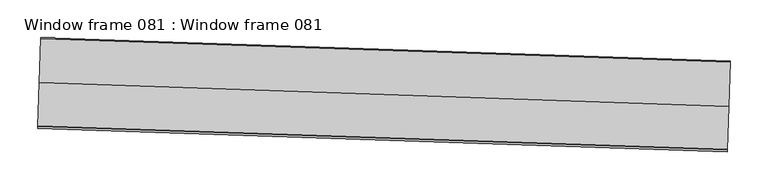
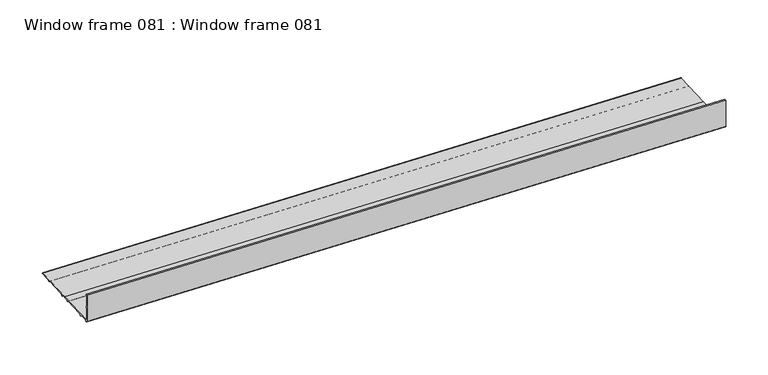
"""IFC4 building model written with IfcOpenShell, lengths in millimetres: proxy geometry, Window frame 081 : Window frame 081."""

from ifc_helpers import new_model, si_unit, point, frame, frame_2d, origin, place, context, project, spatial, polyline, circle_curve, trimmed, segment, composite_curve, outline, extrude, source, transform, mapped, element, save


def window_frame_081_window_frame_081_c60f3af7(model_context):
    return source(origin(), model_context, "Body", "SweptSolid", [
        extrude(outline(composite_curve([segment(polyline([(8.89, 0.0), (10.795, 1.905), (12.3698001, 1.905), (14.2748, 0.0), (44.6024, 0.0), (46.5074001, 1.905), (48.0822, 1.905), (49.9872, 0.0), (58.8772, 0.0), (60.7822001, 1.905), (62.357, 1.905), (64.262, 0.0), (94.5896, 0.0), (96.4946001, 1.905), (98.0694, 1.905), (99.9744, 0.0), (114.7826, 0.0)]), True, "CONTINUOUS"), segment(trimmed(circle_curve(frame_2d((113.5126001, 0.0)), 1.27), [point((114.7826, 0.0))], [point((113.5126001, -1.27))], False, "CARTESIAN"), True, "CONTINUOUS"), segment(polyline([(113.5126001, -1.27), (54.8386, -1.27), (-3.0226, -1.27)]), True, "CONTINUOUS"), segment(trimmed(circle_curve(frame_2d((-3.0226, -2.8448)), 1.5748), [point((-3.0226, -1.27))], [point((-4.5973999, -2.8448))], True, "CARTESIAN"), True, "CONTINUOUS"), segment(polyline([(-4.5973999, -2.8448), (-4.5973999, -18.415), (-2.6924, -20.32), (-2.6924, -21.8948), (-4.5973999, -23.7998), (-4.5973999, -39.37), (-3.4798, -39.37), (-3.4798, -40.9448), (-5.8673999, -40.9448), (-5.8673999, 0.0), (-3.4798, 1.905), (-1.9049999, 1.905), (0.0, 0.0), (8.89, 0.0)]), True, "CONTINUOUS")], self_intersect=False)), frame((34352.2916615, -15537.2084788, 1151.3391508), z_axis=(-0.9994149479163194, 0.03420178184569787, 2.2085250295234005e-12), x_axis=(0.03420178184569787, 0.9994149479163194, 0.0)), (0.0, 0.0, 1.0), 914.4),
    ])


if __name__ == "__main__":
    model = new_model("IFC4")
    model_context = context("Model", 3, world=origin())
    ifc_project = project(units=[si_unit("LENGTHUNIT", "METRE", prefix="MILLI")], contexts=[model_context])
    site = spatial("IfcSite", under=ifc_project)
    building = spatial("IfcBuilding", under=site)
    placement = place(None, origin())
    window_frame_081_window_frame_081_shape = window_frame_081_window_frame_081_c60f3af7(model_context)
    element("IfcBuildingElementProxy", 1, Name="Window frame 081 : Window frame 081", ObjectType="Window frame 081 : Window frame 081", at=placement, inside=building, context=model_context, shape_type="MappedRepresentation", body=[
        mapped(window_frame_081_window_frame_081_shape, transform((0.0, 0.0, 0.0), x_axis=(1.0, 0.0, 0.0), y_axis=(0.0, 1.0, 0.0), z_axis=(0.0, 0.0, 1.0))),
    ])
    save(model, "model.ifc")
